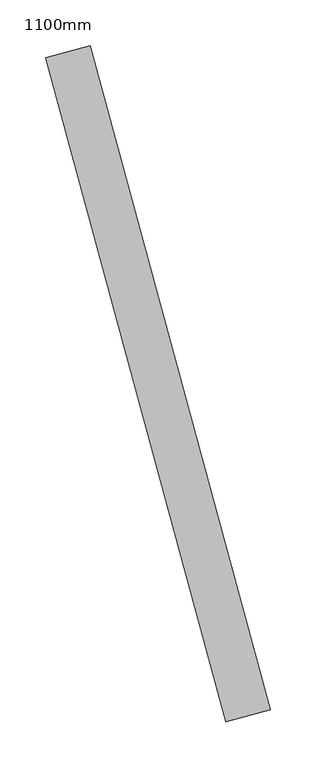
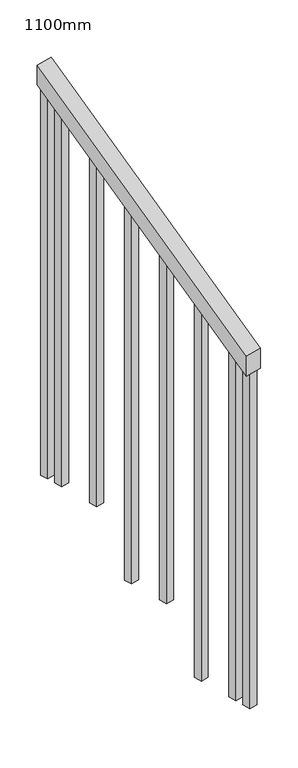
"""IFC4 building model written with IfcOpenShell, lengths in millimetres: railing geometry, 1100mm."""

from ifc_helpers import new_model, si_unit, frame, origin, place, context, project, spatial, polyline, outline, extrude, source, transform, mapped, element, save


def railing_1100mm_8d22191f(model_context):
    return source(origin(), model_context, "Body", "SweptSolid", [
        extrude(outline(polyline([(-35.5555555, -50.0), (0.0, 0.0), (920.2958461, 0.0), (884.7402905, -50.0), (-35.5555555, -50.0)])), frame((165270.8131266, -80015.6640546, 1277.7777778), z_axis=(0.9649894123601838, 0.26228883703418915, 0.0), x_axis=(-0.21375368431595645, 0.7864232597553966, 0.5795237863600168)), (0.0, 0.0, 1.0), 50.0),
        extrude(outline(polyline([(1271.980277, -25.0), (108.8888889, -25.0), (91.1111112, 0.0), (1271.980277, 0.0), (1271.980277, -25.0)])), frame((165099.2733084, -79336.8928555, 1805.3136103), z_axis=(0.9649894123601837, 0.26228883703418915, 0.0), x_axis=(0.0, 0.0, -1.0)), (0.0, 0.0, 1.0), 25.0),
        extrude(outline(polyline([(1183.0913881, -25.0), (108.8888889, -25.0), (91.1111111, 0.0), (1183.0913881, 0.0), (1183.0913881, -25.0)])), frame((165132.059413, -79457.5165321, 1716.4247214), z_axis=(0.9649894123601837, 0.26228883703418915, 0.0), x_axis=(0.0, 0.0, -1.0)), (0.0, 0.0, 1.0), 25.0),
        extrude(outline(polyline([(1271.9802769, -25.0), (108.8888889, -25.0), (91.1111111, 0.0), (1271.9802769, 0.0), (1271.9802769, -25.0)])), frame((165164.8455176, -79578.1402086, 1627.5358325), z_axis=(0.9649894123601837, 0.26228883703418915, 0.0), x_axis=(0.0, 0.0, -1.0)), (0.0, 0.0, 1.0), 25.0),
        extrude(outline(polyline([(1183.091388, -25.0000001), (108.8888889, -25.0000001), (91.1111111, 0.0), (1183.091388, 0.0), (1183.091388, -25.0000001)])), frame((165197.6316223, -79698.7638851, 1538.6469436), z_axis=(0.9649894123601837, 0.26228883703418915, 0.0), x_axis=(0.0, 0.0, -1.0)), (0.0, 0.0, 1.0), 25.0),
        extrude(outline(polyline([(1271.9802769, -25.0), (108.8888889, -25.0), (91.1111111, 0.0), (1271.9802769, 0.0), (1271.9802769, -25.0)])), frame((165230.4177269, -79819.3875617, 1449.7580547), z_axis=(0.9649894123601837, 0.26228883703418915, 0.0), x_axis=(0.0, 0.0, -1.0)), (0.0, 0.0, 1.0), 25.0),
        extrude(outline(polyline([(1183.091388, -25.0), (108.8888889, -25.0), (91.1111111, 0.0), (1183.091388, 0.0), (1183.091388, -25.0)])), frame((165263.2038315, -79940.0112382, 1360.8691658), z_axis=(0.9649894123601837, 0.26228883703418915, 0.0), x_axis=(0.0, 0.0, -1.0)), (0.0, 0.0, 1.0), 25.0),
        extrude(outline(polyline([(1307.5358325, -25.0), (108.8888889, -25.0), (91.1111111, 0.0), (1307.5358325, 0.0), (1307.5358325, -25.0)])), frame((165086.1588665, -79288.6433849, 1840.8691658), z_axis=(0.9649894123601837, 0.26228883703418915, 0.0), x_axis=(0.0, 0.0, -1.0)), (0.0, 0.0, 1.0), 25.0),
        extrude(outline(polyline([(1147.5358325, -25.0), (108.8888889, -25.0), (91.1111112, 0.0), (1147.5358325, 0.0), (1147.5358325, -25.0)])), frame((165276.3182734, -79988.2607089, 1325.3136103), z_axis=(0.9649894123601837, 0.26228883703418915, 0.0), x_axis=(0.0, 0.0, -1.0)), (0.0, 0.0, 1.0), 25.0),
    ])


if __name__ == "__main__":
    model = new_model("IFC4")
    model_context = context("Model", 3, world=origin())
    ifc_project = project(units=[si_unit("LENGTHUNIT", "METRE", prefix="MILLI")], contexts=[model_context])
    site = spatial("IfcSite", under=ifc_project)
    building = spatial("IfcBuilding", under=site)
    placement = place(None, origin())
    railing_1100mm_shape = railing_1100mm_8d22191f(model_context)
    element("IfcRailing", 1, ObjectType="1100mm", at=placement, inside=building, context=model_context, shape_type="MappedRepresentation", body=[
        mapped(railing_1100mm_shape, transform((0.0, 0.0, 0.0), x_axis=(1.0, 0.0, 0.0), y_axis=(0.0, 1.0, 0.0), z_axis=(0.0, 0.0, 1.0))),
    ])
    save(model, "model.ifc")
